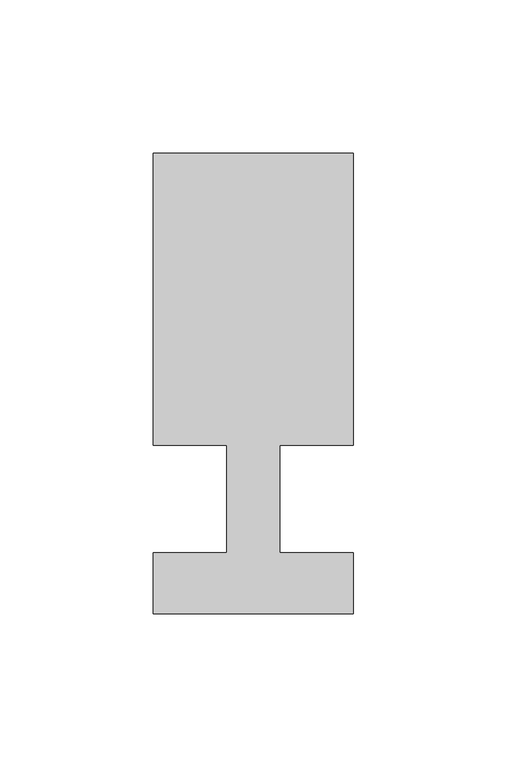
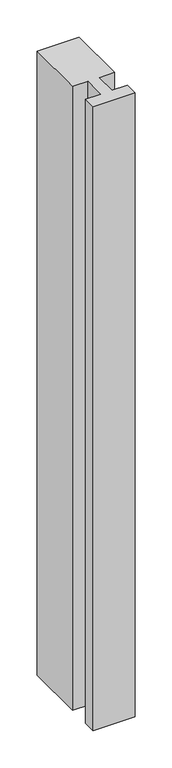
"""IFC4 building model written with IfcOpenShell, lengths in millimetres: member geometry."""

from ifc_helpers import new_model, si_unit, frame, origin, place, context, project, spatial, polyline, outline, extrude, source, transform, mapped, element, save


def member_24d73db2(model_context):
    return source(origin(), model_context, "Body", "SweptSolid", [
        extrude(outline(polyline([(-65.0, -37.0), (-65.0, -17.0), (-41.1875, -17.0), (-41.1875, 18.0), (-65.0, 18.0), (-65.0, 113.0), (0.0, 113.0), (0.0, 18.0), (-23.8125, 18.0), (-23.8125, -17.0), (0.0, -17.0), (0.0, -37.0), (-65.0, -37.0)])), frame((0.0, 0.0, -1022.5), z_axis=(0.0, 0.0, 1.0), x_axis=(1.0, 0.0, 0.0)), (0.0, 0.0, 1.0), 1022.5),
    ])


if __name__ == "__main__":
    model = new_model("IFC4")
    model_context = context("Model", 3, world=origin())
    ifc_project = project(units=[si_unit("LENGTHUNIT", "METRE", prefix="MILLI")], contexts=[model_context])
    site = spatial("IfcSite", under=ifc_project)
    building = spatial("IfcBuilding", under=site)
    placement = place(None, origin())
    member_shape = member_24d73db2(model_context)
    element("IfcMember", 1, at=placement, inside=building, context=model_context, shape_type="MappedRepresentation", body=[
        mapped(member_shape, transform((0.0, 0.0, 0.0), x_axis=(1.0, 0.0, 0.0), y_axis=(0.0, 1.0, 0.0), z_axis=(0.0, 0.0, 1.0))),
    ])
    save(model, "model.ifc")
